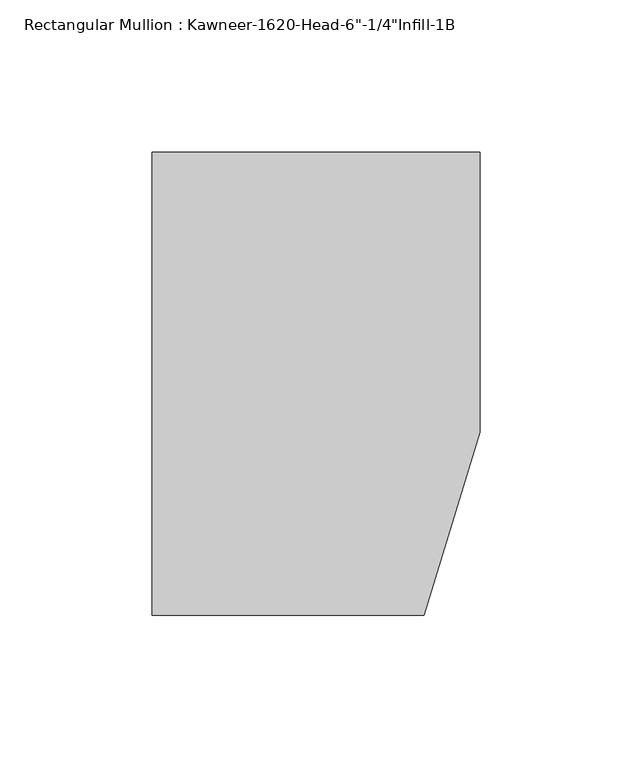
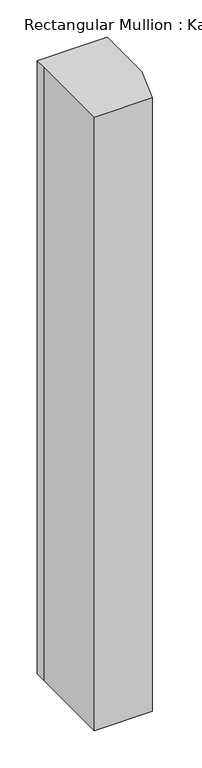
"""IFC4 building model written with IfcOpenShell, lengths in millimetres: member geometry."""

from ifc_helpers import new_model, si_unit, frame, origin, place, context, project, spatial, polyline, outline, extrude, source, transform, mapped, element, save


def member_d3e17529(model_context):
    return source(origin(), model_context, "Body", "SweptSolid", [
        extrude(outline(polyline([(-107.95, 10.3845466), (-107.95, 28.575), (-44.1519366, 28.575), (0.0, 28.575), (0.0, -63.5), (-18.3538271, -123.825), (-107.95, -123.825), (-107.95, 10.3845466)])), frame((0.0, 0.0, -1000.8019209), z_axis=(0.0, 0.0, 1.0), x_axis=(1.0, 0.0, 0.0)), (0.0, 0.0, 1.0), 1000.8019209),
    ])


if __name__ == "__main__":
    model = new_model("IFC4")
    model_context = context("Model", 3, world=origin())
    ifc_project = project(units=[si_unit("LENGTHUNIT", "METRE", prefix="MILLI")], contexts=[model_context])
    site = spatial("IfcSite", under=ifc_project)
    building = spatial("IfcBuilding", under=site)
    placement = place(None, origin())
    member_shape = member_d3e17529(model_context)
    element("IfcMember", 1, ObjectType="Rectangular Mullion : Kawneer-1620-Head-6\"-1/4\"Infill-1B", at=placement, inside=building, context=model_context, shape_type="MappedRepresentation", body=[
        mapped(member_shape, transform((0.0, 0.0, 0.0), x_axis=(1.0, 0.0, 0.0), y_axis=(0.0, 1.0, 0.0), z_axis=(0.0, 0.0, 1.0))),
    ])
    save(model, "model.ifc")
